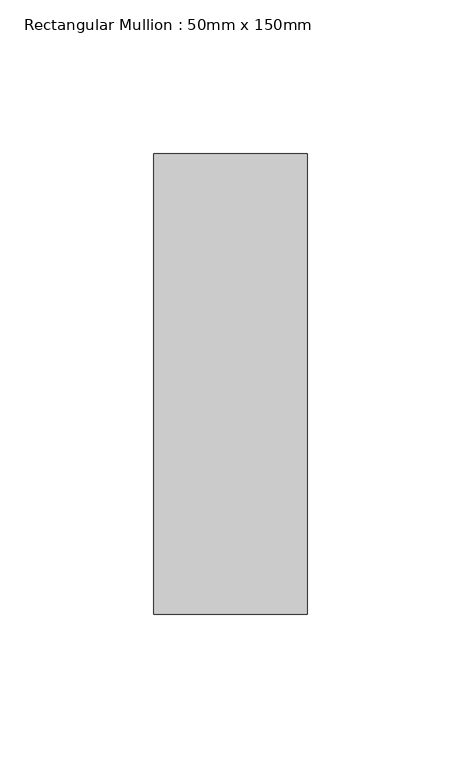
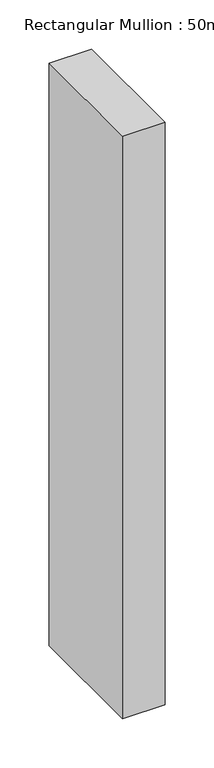
"""IFC4 building model written with IfcOpenShell, lengths in millimetres: member geometry, Rectangular Mullion : 50mm x 150mm."""

from ifc_helpers import new_model, si_unit, frame, origin, place, context, project, spatial, polyline, outline, extrude, source, transform, mapped, element, save


def rectangular_mullion_50mm_x_150mm_74263cd1(model_context):
    return source(origin(), model_context, "Body", "SweptSolid", [
        extrude(outline(polyline([(0.0, 75.0), (0.0, -75.0), (-50.0, -75.0), (-50.0, 75.0), (0.0, 75.0)])), frame((0.0, 0.0, -725.0), z_axis=(0.0, 0.0, 1.0), x_axis=(1.0, 0.0, 0.0)), (0.0, 0.0, 1.0), 725.0),
    ])


if __name__ == "__main__":
    model = new_model("IFC4")
    model_context = context("Model", 3, world=origin())
    ifc_project = project(units=[si_unit("LENGTHUNIT", "METRE", prefix="MILLI")], contexts=[model_context])
    site = spatial("IfcSite", under=ifc_project)
    building = spatial("IfcBuilding", under=site)
    placement = place(None, origin())
    rectangular_mullion_50mm_x_150mm_shape = rectangular_mullion_50mm_x_150mm_74263cd1(model_context)
    element("IfcMember", 1, ObjectType="Rectangular Mullion : 50mm x 150mm", at=placement, inside=building, context=model_context, shape_type="MappedRepresentation", body=[
        mapped(rectangular_mullion_50mm_x_150mm_shape, transform((0.0, 0.0, 0.0), x_axis=(1.0, 0.0, 0.0), y_axis=(0.0, 1.0, 0.0), z_axis=(0.0, 0.0, 1.0))),
    ])
    save(model, "model.ifc")
